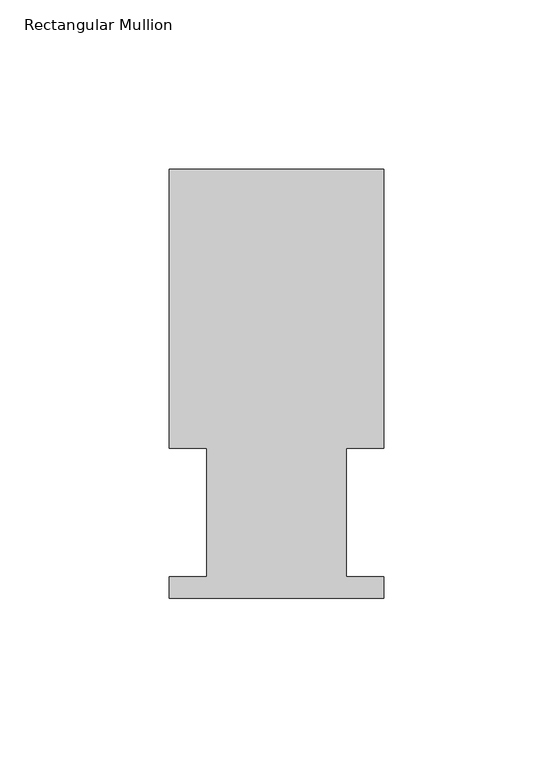
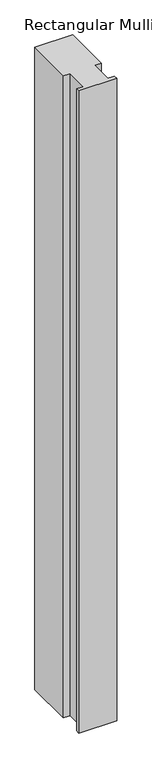
"""IFC4 building model written with IfcOpenShell, lengths in millimetres: member geometry, Rectangular Mullion."""

from ifc_helpers import new_model, si_unit, frame, origin, place, context, project, spatial, polyline, outline, extrude, source, transform, mapped, element, save


def rectangular_mullion_9f6d1b69(model_context):
    return source(origin(), model_context, "Body", "SweptSolid", [
        extrude(outline(polyline([(31.75, 127.0), (31.75, 44.45), (20.6375, 44.45), (20.6375, 6.35), (31.75, 6.35), (31.75, 0.0), (-31.75, 0.0), (-31.75, 6.35), (-20.6375, 6.35), (-20.6375, 44.45), (-31.75, 44.45), (-31.75, 127.0), (31.75, 127.0)])), frame((0.0, 0.0, -1136.65), z_axis=(0.0, 0.0, 1.0), x_axis=(1.0, 0.0, 0.0)), (0.0, 0.0, 1.0), 1136.65),
    ])


if __name__ == "__main__":
    model = new_model("IFC4")
    model_context = context("Model", 3, world=origin())
    ifc_project = project(units=[si_unit("LENGTHUNIT", "METRE", prefix="MILLI")], contexts=[model_context])
    site = spatial("IfcSite", under=ifc_project)
    building = spatial("IfcBuilding", under=site)
    placement = place(None, origin())
    rectangular_mullion_shape = rectangular_mullion_9f6d1b69(model_context)
    element("IfcMember", 1, ObjectType="Rectangular Mullion", at=placement, inside=building, context=model_context, shape_type="MappedRepresentation", body=[
        mapped(rectangular_mullion_shape, transform((0.0, 0.0, 0.0), x_axis=(1.0, 0.0, 0.0), y_axis=(0.0, 1.0, 0.0), z_axis=(0.0, 0.0, 1.0))),
    ])
    save(model, "model.ifc")
